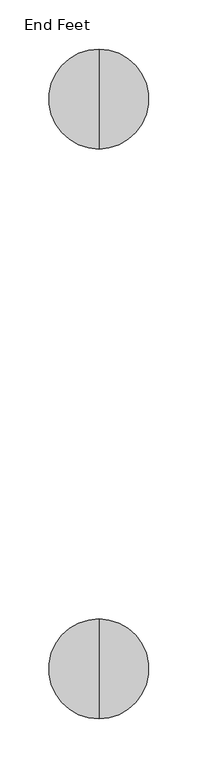
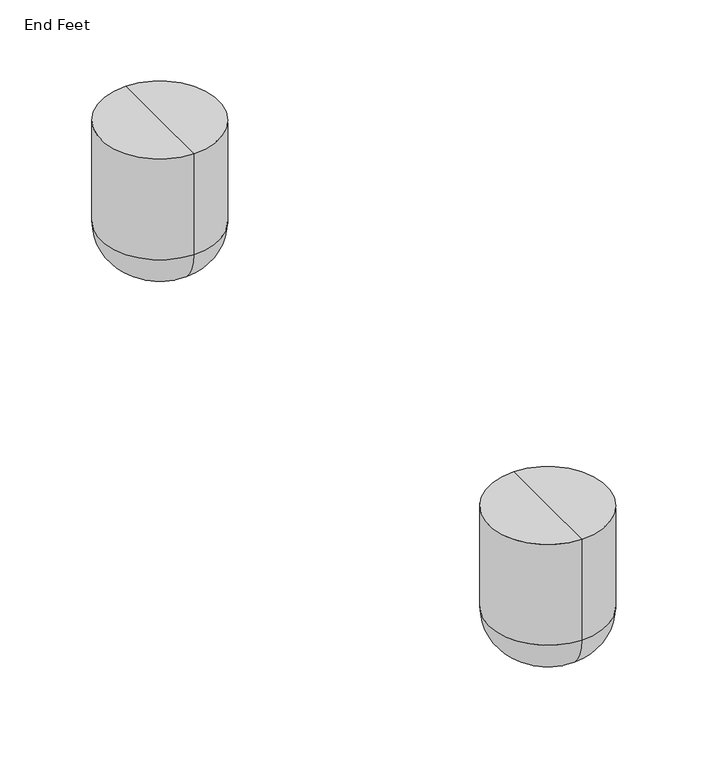
"""IFC4 building model written with IfcOpenShell, lengths in millimetres: furniture geometry, End Feet."""

from ifc_helpers import new_model, si_unit, point, frame, origin, place, context, project, spatial, circle_curve, ellipse_curve, trimmed, source, transform, mapped, element, save
from ifc_brep_helpers import plane_surface, cylinder_surface, revolved_surface, advanced_brep


def end_feet_4685812c(model_context):
    return source(origin(), model_context, "Body", "AdvancedBrep", [
        advanced_brep(
        [(1.939512, 747.4877706, 130.0907271), (1.939512, 645.5490367, 130.0907271), (1.939512, 696.5184037, 130.0907271), (1.939512, 747.4877706, 38.1), (1.939512, 645.5490367, 38.1), (1.939512, 709.3877706, 0.0), (1.939512, 683.6490367, 0.0), (1.939512, 696.5184037, 0.0)],
        [
            (0, 1, circle_curve(frame((1.939512, 696.5184037, 130.0907271), z_axis=(0.0, 0.0, 1.0), x_axis=(0.0, -1.0, 0.0)), 50.969367)),
            (1, 2),
            (2, 0),
            (1, 0, circle_curve(frame((1.939512, 696.5184037, 130.0907271), z_axis=(0.0, 0.0, 1.0), x_axis=(0.0, -1.0, 0.0)), 50.969367)),
            (3, 4, circle_curve(frame((1.939512, 696.5184037, 38.1), z_axis=(0.0, 0.0, 1.0), x_axis=(0.0, -1.0, 0.0)), 50.969367)),
            (4, 1),
            (0, 3),
            (4, 3, circle_curve(frame((1.939512, 696.5184037, 38.1), z_axis=(0.0, 0.0, 1.0), x_axis=(0.0, -1.0, 0.0)), 50.969367)),
            (5, 6, circle_curve(frame((1.939512, 696.5184037, 0.0), z_axis=(0.0, 0.0, 1.0), x_axis=(0.0, -1.0, 0.0)), 12.869367)),
            (6, 4, circle_curve(frame((1.939512, 683.6490367, 38.1), z_axis=(-1.0, 0.0, 0.0), x_axis=(0.0, -1.0, 0.0)), 38.1)),
            (3, 5, circle_curve(frame((1.939512, 709.3877706, 38.1), z_axis=(-1.0, 0.0, 0.0), x_axis=(0.0, 1.0, 0.0)), 38.1)),
            (6, 5, circle_curve(frame((1.939512, 696.5184037, 0.0), z_axis=(0.0, 0.0, 1.0), x_axis=(0.0, -1.0, 0.0)), 12.869367)),
            (7, 6),
            (5, 7),
        ],
        [
            plane_surface(frame((1.939512, 696.5184037, 130.0907271), z_axis=(0.0, 0.0, 1.0), x_axis=(0.0, -1.0, 0.0))),
            cylinder_surface(frame((1.939512, 696.5184037, 130.0907271), z_axis=(0.0, 0.0, -1.0), x_axis=(0.0, -1.0, 0.0)), 50.969367),
            revolved_surface(trimmed(ellipse_curve(frame((1.939512, 683.6490367, 38.1), z_axis=(1.0, 0.0, 0.0), x_axis=(0.0, -1.0, 0.0)), 38.1, 38.1), [point((1.939512, 645.5490367, 38.1))], [point((1.939512, 683.6490367, 0.0))], True, "CARTESIAN"), (1.939512, 696.5184037, 130.0907271), (0.0, 0.0, -1.0)),
            plane_surface(frame((1.939512, 696.5184037, 0.0), z_axis=(0.0, 0.0, -1.0), x_axis=(0.0, -1.0, 0.0))),
        ],
        [
            (0, [[1, 2, 3]]),
            (0, [[4, -3, -2]]),
            (1, [[5, 6, -1, 7]]),
            (1, [[8, -7, -4, -6]]),
            (2, [[9, 10, -5, 11]]),
            (2, [[12, -11, -8, -10]]),
            (3, [[13, -9, 14]]),
            (3, [[-14, -12, -13]]),
        ],
    ),
        advanced_brep(
        [(1.939512, 166.4627706, 130.0907271), (1.939512, 64.5240367, 130.0907271), (1.939512, 115.4934037, 130.0907271), (1.939512, 166.4627706, 38.1), (1.939512, 64.5240367, 38.1), (1.939512, 128.3627706, 0.0), (1.939512, 102.6240367, 0.0), (1.939512, 115.4934037, 0.0)],
        [
            (0, 1, circle_curve(frame((1.939512, 115.4934037, 130.0907271), z_axis=(0.0, 0.0, 1.0), x_axis=(0.0, -1.0, 0.0)), 50.969367)),
            (1, 2),
            (2, 0),
            (1, 0, circle_curve(frame((1.939512, 115.4934037, 130.0907271), z_axis=(0.0, 0.0, 1.0), x_axis=(0.0, -1.0, 0.0)), 50.969367)),
            (3, 4, circle_curve(frame((1.939512, 115.4934037, 38.1), z_axis=(0.0, 0.0, 1.0), x_axis=(0.0, -1.0, 0.0)), 50.969367)),
            (4, 1),
            (0, 3),
            (4, 3, circle_curve(frame((1.939512, 115.4934037, 38.1), z_axis=(0.0, 0.0, 1.0), x_axis=(0.0, -1.0, 0.0)), 50.969367)),
            (5, 6, circle_curve(frame((1.939512, 115.4934037, 0.0), z_axis=(0.0, 0.0, 1.0), x_axis=(0.0, -1.0, 0.0)), 12.869367)),
            (6, 4, circle_curve(frame((1.939512, 102.6240367, 38.1), z_axis=(-1.0, 0.0, 0.0), x_axis=(0.0, -1.0, 0.0)), 38.1)),
            (3, 5, circle_curve(frame((1.939512, 128.3627706, 38.1), z_axis=(-1.0, 0.0, 0.0), x_axis=(0.0, 1.0, 0.0)), 38.1)),
            (6, 5, circle_curve(frame((1.939512, 115.4934037, 0.0), z_axis=(0.0, 0.0, 1.0), x_axis=(0.0, -1.0, 0.0)), 12.869367)),
            (7, 6),
            (5, 7),
        ],
        [
            plane_surface(frame((1.939512, 115.4934037, 130.0907271), z_axis=(0.0, 0.0, 1.0), x_axis=(0.0, -1.0, 0.0))),
            cylinder_surface(frame((1.939512, 115.4934037, 130.0907271), z_axis=(0.0, 0.0, -1.0), x_axis=(0.0, -1.0, 0.0)), 50.969367),
            revolved_surface(trimmed(ellipse_curve(frame((1.939512, 102.6240367, 38.1), z_axis=(1.0, 0.0, 0.0), x_axis=(0.0, -1.0, 0.0)), 38.1, 38.1), [point((1.939512, 64.5240367, 38.1))], [point((1.939512, 102.6240367, 0.0))], True, "CARTESIAN"), (1.939512, 115.4934037, 130.0907271), (0.0, 0.0, -1.0)),
            plane_surface(frame((1.939512, 115.4934037, 0.0), z_axis=(0.0, 0.0, -1.0), x_axis=(0.0, -1.0, 0.0))),
        ],
        [
            (0, [[1, 2, 3]]),
            (0, [[4, -3, -2]]),
            (1, [[5, 6, -1, 7]]),
            (1, [[8, -7, -4, -6]]),
            (2, [[9, 10, -5, 11]]),
            (2, [[12, -11, -8, -10]]),
            (3, [[13, -9, 14]]),
            (3, [[-14, -12, -13]]),
        ],
    ),
    ])


if __name__ == "__main__":
    model = new_model("IFC4")
    model_context = context("Model", 3, world=origin())
    ifc_project = project(units=[si_unit("LENGTHUNIT", "METRE", prefix="MILLI")], contexts=[model_context])
    site = spatial("IfcSite", under=ifc_project)
    building = spatial("IfcBuilding", under=site)
    placement = place(None, origin())
    end_feet_shape = end_feet_4685812c(model_context)
    element("IfcFurniture", 1, ObjectType="End Feet", at=placement, inside=building, context=model_context, shape_type="MappedRepresentation", body=[
        mapped(end_feet_shape, transform((0.0, 0.0, 0.0), x_axis=(1.0, 0.0, 0.0), y_axis=(0.0, 1.0, 0.0), z_axis=(0.0, 0.0, 1.0))),
    ])
    save(model, "model.ifc")
